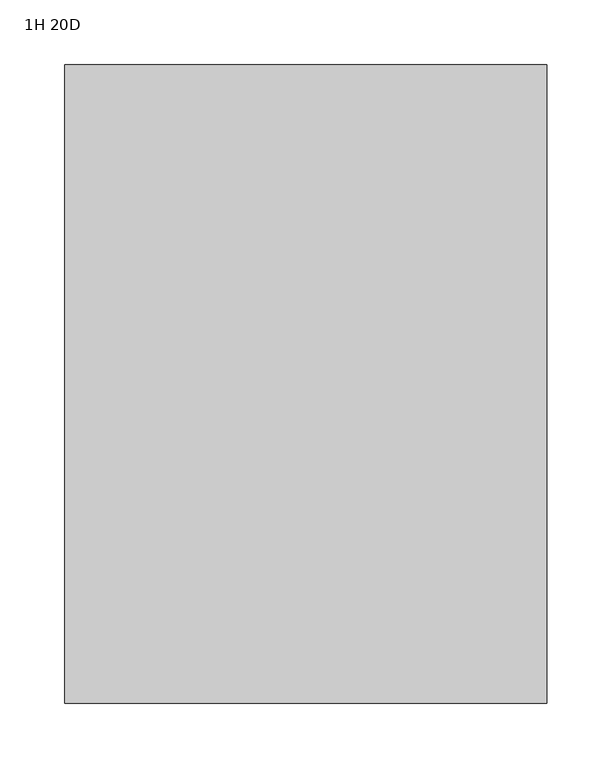
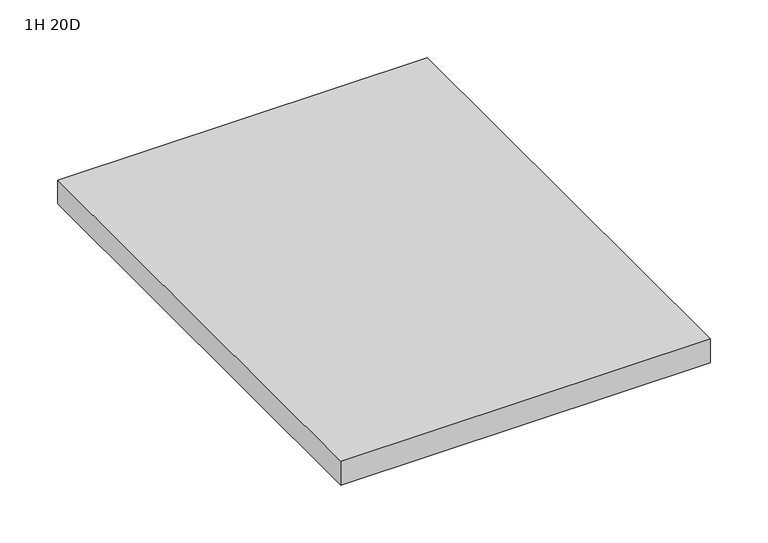
"""IFC4 building model written with IfcOpenShell, lengths in millimetres: furniture geometry, 1H 20D."""

from ifc_helpers import new_model, si_unit, frame, origin, place, context, project, spatial, polyline, outline, extrude, source, transform, mapped, element, save


def furniture_1h_20d_8f34f387(model_context):
    return source(origin(), model_context, "Body", "SweptSolid", [
        extrude(outline(polyline([(-288.925, 440.563), (-288.925, -51.562), (-660.4, -51.562), (-660.4, 440.563), (-288.925, 440.563)])), frame((0.0, 0.0, 543.14852), z_axis=(0.0, 0.0, 1.0), x_axis=(1.0, 0.0, 0.0)), (0.0, 0.0, 1.0), 25.4),
    ])


if __name__ == "__main__":
    model = new_model("IFC4")
    model_context = context("Model", 3, world=origin())
    ifc_project = project(units=[si_unit("LENGTHUNIT", "METRE", prefix="MILLI")], contexts=[model_context])
    site = spatial("IfcSite", under=ifc_project)
    building = spatial("IfcBuilding", under=site)
    placement = place(None, origin())
    furniture_1h_20d_shape = furniture_1h_20d_8f34f387(model_context)
    element("IfcFurniture", 1, ObjectType="1H 20D", at=placement, inside=building, context=model_context, shape_type="MappedRepresentation", body=[
        mapped(furniture_1h_20d_shape, transform((0.0, 0.0, 0.0), x_axis=(1.0, 0.0, 0.0), y_axis=(0.0, 1.0, 0.0), z_axis=(0.0, 0.0, 1.0))),
    ])
    save(model, "model.ifc")
